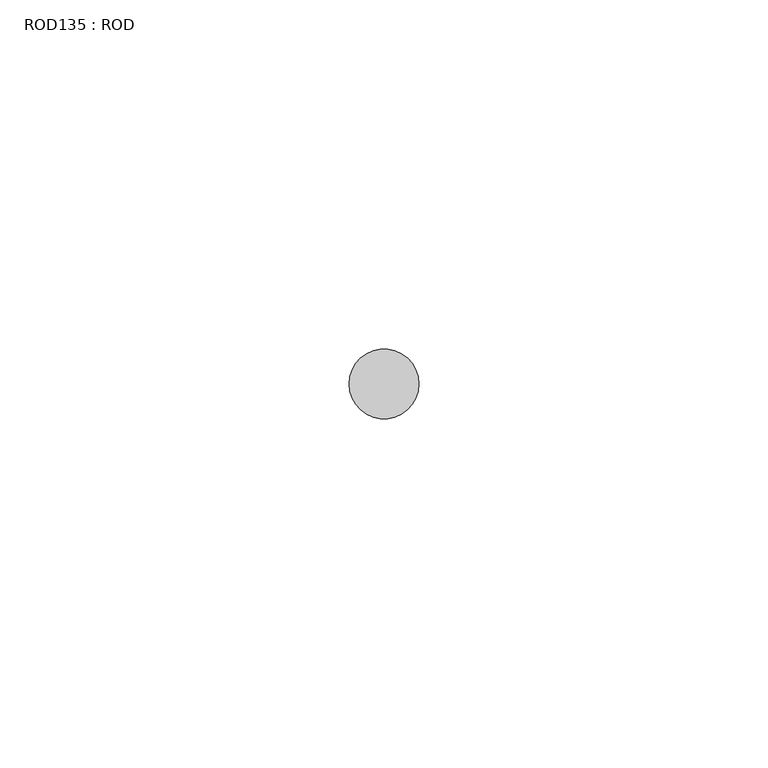
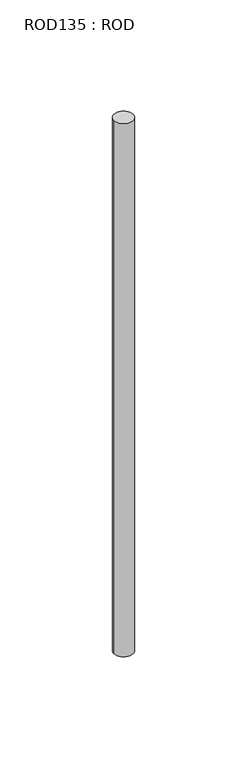
"""IFC4 building model written with IfcOpenShell, lengths in millimetres: proxy geometry, ROD135 : ROD."""

from ifc_helpers import new_model, si_unit, point, frame, frame_2d, origin, place, context, project, spatial, circle_curve, trimmed, segment, composite_curve, outline, extrude, source, transform, mapped, element, save


def rod135_rod_8056c4d7(model_context):
    return source(origin(), model_context, "Body", "SweptSolid", [
        extrude(outline(composite_curve([segment(trimmed(circle_curve(frame_2d((5132.7784384, -12414.6300853)), 5.0), [point((5127.7784384, -12414.6300853))], [point((5137.7784384, -12414.6300853))], False, "CARTESIAN"), True, "CONTINUOUS"), segment(trimmed(circle_curve(frame_2d((5132.7784384, -12414.6300853)), 5.0), [point((5137.7784384, -12414.6300853))], [point((5127.7784384, -12414.6300853))], False, "CARTESIAN"), True, "CONTINUOUS")], self_intersect=False)), frame((0.0, 0.0, -208.6608845), z_axis=(0.0, 0.0, 1.0), x_axis=(1.0, 0.0, 0.0)), (0.0, 0.0, 1.0), 298.9028972),
    ])


if __name__ == "__main__":
    model = new_model("IFC4")
    model_context = context("Model", 3, world=origin())
    ifc_project = project(units=[si_unit("LENGTHUNIT", "METRE", prefix="MILLI")], contexts=[model_context])
    site = spatial("IfcSite", under=ifc_project)
    building = spatial("IfcBuilding", under=site)
    placement = place(None, origin())
    rod135_rod_shape = rod135_rod_8056c4d7(model_context)
    element("IfcBuildingElementProxy", 1, Name="ROD135 : ROD", ObjectType="ROD135 : ROD", at=placement, inside=building, context=model_context, shape_type="MappedRepresentation", body=[
        mapped(rod135_rod_shape, transform((0.0, 0.0, 0.0), x_axis=(1.0, 0.0, 0.0), y_axis=(0.0, 1.0, 0.0), z_axis=(0.0, 0.0, 1.0))),
    ])
    save(model, "model.ifc")
